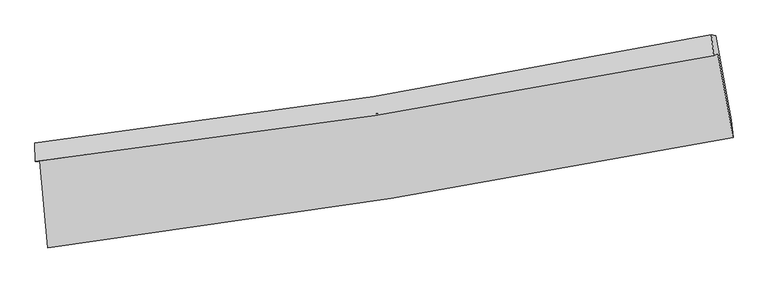
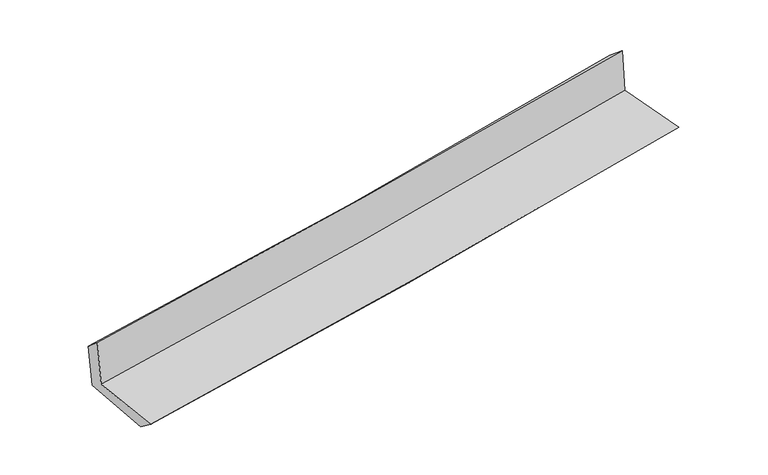
"""IFC4 building model written with IfcOpenShell, lengths in millimetres: proxy geometry."""

from ifc_helpers import new_model, si_unit, frame, origin, place, context, project, spatial, source, transform, mapped, element, save
from ifc_brep_helpers import plane_surface, spline_curve, spline_surface, advanced_brep


def generic_models_3558d1c3(model_context):
    return source(origin(), model_context, "Body", "AdvancedBrep", [
        advanced_brep(
        [(-2630.9798017, -1896.8748372, 1641.5598999), (-2569.2750878, -2566.7688542, 1640.9892899), (2703.6078888, -1715.2360573, 2123.4318888), (2586.4913192, -1070.1521158, 2126.2799513), (-2665.9474688, -1899.8399179, 2050.5123708), (2553.8525348, -1084.82959, 2527.7051157), (-2668.9779163, -1756.53857, 1932.6249297), (2536.7727678, -923.9307034, 2390.4461148), (-2635.799652, -1763.2965888, 1554.8226135), (2570.9862083, -930.4847005, 2014.8562129), (-2573.3894127, -2417.7034504, 1529.5234434), (2690.3587247, -1579.4778095, 1994.4063819)],
        [
            (0, 1),
            (1, 2, spline_curve(3, [(-2569.2750878, -2566.7688542, 1640.9892899), (-1687.516719302, -2454.006972786, 1729.974123793), (-807.820900739, -2326.780291207, 1814.621689508), (949.817923651, -2043.014329515, 1975.459368798), (1827.749763665, -1886.396745222, 2051.62600224), (2703.6078888, -1715.2360573, 2123.4318888)], [4, 2, 4], [0.0, 8.739597535244306, 17.50281863466434])),
            (2, 3),
            (3, 0, spline_curve(3, [(2586.4913192, -1070.1521158, 2126.2799513), (1719.780164503, -1239.747392731, 2056.521812767), (851.045764866, -1393.510237136, 1981.187370739), (-888.122169325, -1668.999231414, 1819.583996226), (-1758.544809634, -1790.810627927, 1733.345087579), (-2630.9798017, -1896.8748372, 1641.5598999)], [4, 2, 4], [0.0, 8.763221099420035, 17.50281863466434])),
            (4, 0),
            (3, 5),
            (5, 4, spline_curve(3, [(2553.8525348, -1084.82959, 2527.7051157), (1686.514998338, -1257.108983081, 2467.166472491), (817.273232598, -1411.233404725, 2397.064526599), (-922.670354957, -1682.80576271, 2237.948786805), (-1793.361923761, -1800.351450631, 2148.986484698), (-2665.9474688, -1899.8399179, 2050.5123708)], [4, 2, 4], [0.0, 8.715892105133495, 17.408288233826546])),
            (6, 4),
            (5, 7),
            (7, 6, spline_curve(3, [(2536.7727678, -923.9307034, 2390.4461148), (1672.957815559, -1100.976323064, 2325.748479517), (806.648903858, -1258.951064241, 2255.188501283), (-928.614752124, -1536.384337314, 2102.549874957), (-1797.556068642, -1655.945551708, 2020.502791567), (-2668.9779163, -1756.53857, 1932.6249297)], [4, 2, 4], [0.0, 8.705597184171134, 17.387726144565292])),
            (8, 6),
            (7, 9),
            (9, 8, spline_curve(3, [(2570.9862083, -930.4847005, 2014.8562129), (1707.954760915, -1107.762007166, 1939.12362584), (841.950574968, -1265.869483243, 1862.868752817), (-893.660717628, -1543.370230443, 1709.521407582), (-1763.251818695, -1662.866717323, 1632.431747596), (-2635.799652, -1763.2965888, 1554.8226135)], [4, 2, 4], [0.0, 8.695957652275112, 17.36847306666334])),
            (10, 8),
            (9, 11),
            (11, 10, spline_curve(3, [(2690.3587247, -1579.4778095, 1994.4063819), (1817.283182601, -1754.127602756, 1917.995887577), (941.504049111, -1911.375459781, 1840.997315088), (-813.093220187, -2190.690310407, 1686.033169108), (-1691.896799132, -2312.851000306, 1608.070762185), (-2573.3894127, -2417.7034504, 1529.5234434)], [4, 2, 4], [0.0, 8.743767782531156, 17.463964442411765])),
            (1, 10),
            (11, 2),
        ],
        [
            spline_surface(3, 3, [[(-2630.9798017, -1896.8748372, 1641.5598999), (-1758.544809703, -1790.810627899, 1733.345087639), (-888.122169204, -1668.999231556, 1819.58399611), (851.045764745, -1393.510236993, 1981.187370856), (1719.780164597, -1239.747392875, 2056.521812809), (2586.4913192, -1070.1521158, 2126.2799513)], [(-2610.411563734, -2120.172842865, 1641.369696562), (-1734.868779606, -2011.876076159, 1732.221432996), (-861.355079697, -1888.259584792, 1817.929893959), (883.969817688, -1610.011601139, 1979.278036799), (1755.770030984, -1455.29717698, 2054.889875978), (2625.53017573, -1285.180096274, 2125.330597116)], [(-2589.843325766, -2343.470848535, 1641.179493238), (-1711.192749506, -2232.941524422, 1731.097778365), (-834.58799018, -2107.519938042, 1816.275791789), (916.893870641, -1826.512965298, 1977.368702725), (1791.759897381, -1670.846961163, 2053.2579392), (2664.56903227, -1500.208076826, 2124.381242984)], [(-2569.2750878, -2566.7688542, 1640.9892899), (-1687.51671941, -2454.006972682, 1729.974123721), (-807.820900673, -2326.780291278, 1814.621689638), (949.817923584, -2043.014329443, 1975.459368668), (1827.749763768, -1886.396745268, 2051.626002369), (2703.6078888, -1715.2360573, 2123.4318888)]], [4, 4], [4, 2, 4], [0.0, 2.1645685064418227], [0.0, 8.739597535244306, 17.50281863466434]),
            spline_surface(3, 3, [[(-2665.9474688, -1899.8399179, 2050.5123708), (-1793.361923628, -1800.351450692, 2148.986484707), (-922.670354873, -1682.805762854, 2237.948786905), (817.273232514, -1411.233404581, 2397.064526498), (1686.514998309, -1257.108983174, 2467.166472598), (2553.8525348, -1084.82959, 2527.7051157)], [(-2654.291579769, -1898.851557668, 1914.194880485), (-1781.756218989, -1797.171176429, 2010.439352336), (-911.154292974, -1678.203585742, 2098.493856639), (828.530743267, -1405.325682039, 2258.43880795), (1697.603387053, -1251.321786434, 2330.28491934), (2564.732129581, -1079.937098626, 2393.896727572)], [(-2642.635690731, -1897.863197432, 1777.877390215), (-1770.150514343, -1793.990902162, 1871.89222001), (-899.638231103, -1673.601408668, 1959.038926376), (839.788253992, -1399.417959535, 2119.813089404), (1708.691775853, -1245.534589615, 2193.403366066), (2575.611724419, -1075.044607174, 2260.088339428)], [(-2630.9798017, -1896.8748372, 1641.5598999), (-1758.544809703, -1790.810627899, 1733.345087639), (-888.122169204, -1668.999231556, 1819.58399611), (851.045764745, -1393.510236993, 1981.187370856), (1719.780164597, -1239.747392875, 2056.521812809), (2586.4913192, -1070.1521158, 2126.2799513)]], [4, 4], [4, 2, 4], [0.0, 1.37405179333945], [0.0, 8.692396128693051, 17.408288233826546]),
            spline_surface(3, 3, [[(-2668.9779163, -1756.53857, 1932.6249297), (-1797.55606856, -1655.945551653, 2020.502791697), (-928.614752201, -1536.384337281, 2102.549875083), (806.648903936, -1258.951064274, 2255.188501157), (1672.957815647, -1100.976323129, 2325.748479459), (2536.7727678, -923.9307034, 2390.4461148)], [(-2667.967767126, -1804.305685965, 1971.920743407), (-1796.158020242, -1704.080851331, 2063.330689374), (-926.633286415, -1585.19147917, 2147.682845691), (810.190346805, -1309.711844407, 2302.480509605), (1677.476876552, -1153.020543123, 2372.887810507), (2542.466023484, -977.563665579, 2436.199115102)], [(-2666.957617974, -1852.072801935, 2011.216557093), (-1794.759971947, -1752.216151014, 2106.158587029), (-924.651820659, -1633.998620965, 2192.815816297), (813.731789645, -1360.472624448, 2349.77251805), (1681.995937404, -1205.06476318, 2420.027141549), (2548.159279116, -1031.196627821, 2481.952115398)], [(-2665.9474688, -1899.8399179, 2050.5123708), (-1793.361923628, -1800.351450692, 2148.986484707), (-922.670354873, -1682.805762854, 2237.948786905), (817.273232514, -1411.233404581, 2397.064526498), (1686.514998309, -1257.108983174, 2467.166472598), (2553.8525348, -1084.82959, 2527.7051157)]], [4, 4], [4, 2, 4], [0.0, 0.6691614673693659], [0.0, 8.682128960394158, 17.387726144565292]),
            spline_surface(3, 3, [[(-2635.799652, -1763.2965888, 1554.8226135), (-1763.251818652, -1662.866717401, 1632.431747495), (-893.660717697, -1543.370230575, 1709.521407566), (841.950575037, -1265.869483109, 1862.868752833), (1707.954760896, -1107.762007203, 1939.123625874), (2570.9862083, -930.4847005, 2014.8562129)], [(-2646.859073434, -1761.043915873, 1680.75671891), (-1774.686568622, -1660.559662158, 1761.788762239), (-905.31206255, -1541.041599457, 1840.530896757), (830.183351317, -1263.563343477, 1993.642002294), (1696.289112485, -1105.500112527, 2067.998577075), (2559.581728138, -928.300034816, 2140.052846873)], [(-2657.918494866, -1758.791242927, 1806.69082429), (-1786.121318591, -1658.252606896, 1891.145776953), (-916.963407347, -1538.7129684, 1971.540385891), (818.416127655, -1261.257203906, 2124.415251696), (1684.623464058, -1103.238217805, 2196.873528258), (2548.177247962, -926.115369084, 2265.249480827)], [(-2668.9779163, -1756.53857, 1932.6249297), (-1797.55606856, -1655.945551653, 2020.502791697), (-928.614752201, -1536.384337281, 2102.549875083), (806.648903936, -1258.951064274, 2255.188501157), (1672.957815647, -1100.976323129, 2325.748479459), (2536.7727678, -923.9307034, 2390.4461148)]], [4, 4], [4, 2, 4], [0.0, 1.2936435786854412], [0.0, 8.67251541438823, 17.36847306666334]),
            spline_surface(3, 3, [[(-2573.3894127, -2417.7034504, 1529.5234434), (-1691.896799093, -2312.851000189, 1608.070762144), (-813.093220189, -2190.690310311, 1686.033169162), (941.504049112, -1911.375459878, 1840.997315033), (1817.283182676, -1754.127602757, 1917.995887502), (2690.3587247, -1579.4778095, 1994.4063819)], [(-2594.192825807, -2199.567829882, 1537.956500096), (-1715.681805619, -2096.189572609, 1616.19109059), (-839.94905269, -1974.916950405, 1693.862581949), (908.319557754, -1696.206800961, 1848.287794285), (1780.840375387, -1538.672404221, 1925.038466959), (2650.56788587, -1363.146773149, 2001.222992233)], [(-2614.996238893, -1981.432209318, 1546.389556804), (-1739.466812126, -1879.528144982, 1624.311419049), (-866.804885195, -1759.143590481, 1701.691994779), (875.135066394, -1481.038142026, 1855.57827358), (1744.397568186, -1323.217205739, 1932.081046417), (2610.77704713, -1146.815736851, 2008.039602567)], [(-2635.799652, -1763.2965888, 1554.8226135), (-1763.251818652, -1662.866717401, 1632.431747495), (-893.660717697, -1543.370230575, 1709.521407566), (841.950575037, -1265.869483109, 1862.868752833), (1707.954760896, -1107.762007203, 1939.123625874), (2570.9862083, -930.4847005, 2014.8562129)]], [4, 4], [4, 2, 4], [0.0, 2.142557847215274], [0.0, 8.720196659880608, 17.463964442411765]),
            spline_surface(3, 3, [[(-2569.2750878, -2566.7688542, 1640.9892899), (-1687.51671941, -2454.006972682, 1729.974123721), (-807.820900673, -2326.780291278, 1814.621689638), (949.817923584, -2043.014329443, 1975.459368668), (1827.749763768, -1886.396745268, 2051.626002369), (2703.6078888, -1715.2360573, 2123.4318888)], [(-2570.646529431, -2517.080386247, 1603.834007739), (-1688.976745968, -2406.954981831, 1689.339669868), (-809.578340509, -2281.41696429, 1771.758849468), (947.046632096, -1999.134706255, 1930.638684112), (1824.260903433, -1842.307031121, 2007.082630751), (2699.191500796, -1669.983308057, 2080.423386504)], [(-2572.017971069, -2467.391918353, 1566.678725561), (-1690.436772534, -2359.90299104, 1648.705215997), (-811.335780352, -2236.0536373, 1728.896009332), (944.2753406, -1955.255083066, 1885.817999589), (1820.772043012, -1798.217316904, 1962.53925912), (2694.775112704, -1624.730558743, 2037.414884196)], [(-2573.3894127, -2417.7034504, 1529.5234434), (-1691.896799093, -2312.851000189, 1608.070762144), (-813.093220189, -2190.690310311, 1686.033169162), (941.504049112, -1911.375459878, 1840.997315033), (1817.283182676, -1754.127602757, 1917.995887502), (2690.3587247, -1579.4778095, 1994.4063819)]], [4, 4], [4, 2, 4], [0.0, 0.6161104890128123], [0.0, 8.77694520848598, 17.577614933754727]),
            plane_surface(frame((2607.0115739, -1217.3518294, 2196.1876109), z_axis=(0.9803203674837692, 0.17759898505906965, 0.08620079815451895), x_axis=(-0.09070325103768134, 0.017375301390719314, 0.9957263776524036))),
            plane_surface(frame((-2624.0615565, -2050.1703698, 1725.0054245), z_axis=(-0.9921451788300493, -0.09131481702636841, -0.08549589648474851), x_axis=(-0.09172283748349547, 0.9957842143958098, 0.0008482005048710191))),
        ],
        [
            (0, [[1, 2, 3, 4]]),
            (1, [[5, -4, 6, 7]]),
            (2, [[8, -7, 9, 10]]),
            (3, [[11, -10, 12, 13]]),
            (4, [[14, -13, 15, 16]]),
            (5, [[17, -16, 18, -2]]),
            (6, [[-12, -9, -6, -3, -18, -15]]),
            (7, [[-1, -5, -8, -11, -14, -17]]),
        ],
    ),
    ])


if __name__ == "__main__":
    model = new_model("IFC4")
    model_context = context("Model", 3, world=origin())
    ifc_project = project(units=[si_unit("LENGTHUNIT", "METRE", prefix="MILLI")], contexts=[model_context])
    site = spatial("IfcSite", under=ifc_project)
    building = spatial("IfcBuilding", under=site)
    placement = place(None, origin())
    generic_models_shape = generic_models_3558d1c3(model_context)
    element("IfcBuildingElementProxy", 1, Name="Generic Models", at=placement, inside=building, context=model_context, shape_type="MappedRepresentation", body=[
        mapped(generic_models_shape, transform((0.0, 0.0, 0.0), x_axis=(1.0, 0.0, 0.0), y_axis=(0.0, 1.0, 0.0), z_axis=(0.0, 0.0, 1.0))),
    ])
    save(model, "model.ifc")
